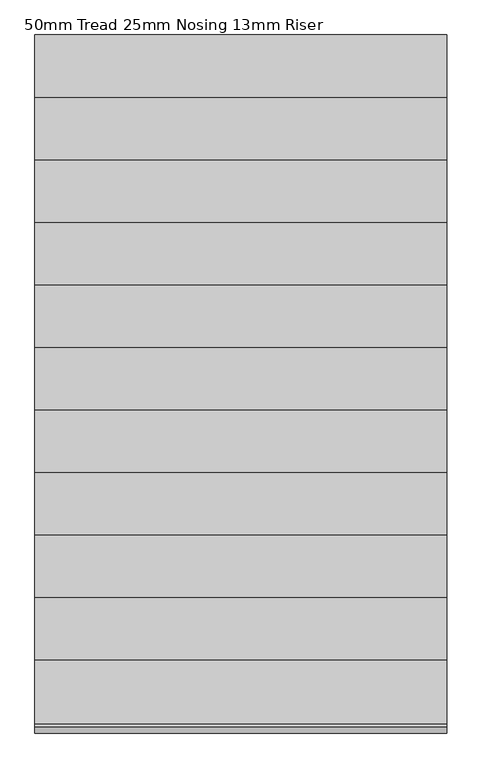
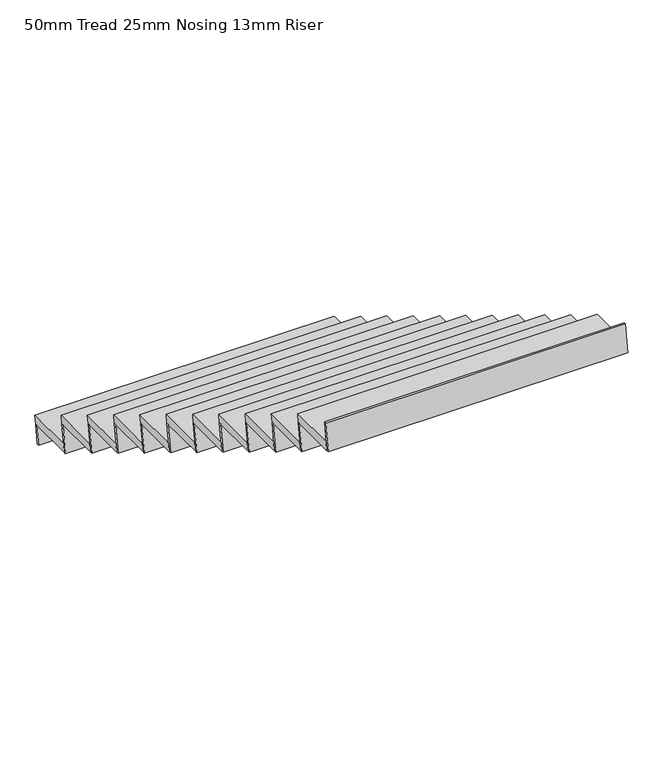
"""IFC4 building model written with IfcOpenShell, lengths in millimetres: stair flight geometry, 50mm Tread 25mm Nosing 13mm Riser."""

import ifcopenshell
import ifcopenshell.guid

model = None  # the IFC model being written
_history = None  # IfcOwnerHistory: only IFC2X3 demands one
_inside = {}  # id of a spatial element -> (the spatial element, [elements in it])
_under = {}  # id of a project, library or spatial element -> (it, [spatial elements below it])
_declared = {}  # id of a project -> (the project, [libraries it declares])
_typed = {}  # id of a type object -> (the type object, [elements of that type])
_made_of = {}  # id of a material, layer set ... -> (it, [elements and type objects made of it])


def new_model(schema):
    """Start an empty IFC model of exactly this schema.

    Asked for "IFC4X3", IfcOpenShell would pick the latest addendum, in which some entities
    have other attributes; the version numbers below select the first issue.
    IFC2X3 requires an IfcOwnerHistory on every rooted entity: one is made here for all.
    """
    global model, _history
    if schema == "IFC4X3":
        model = ifcopenshell.file(schema_version=(4, 3, 0, 0))
    else:
        model = ifcopenshell.file(schema=schema)
    _inside.clear()
    _under.clear()
    _declared.clear()
    _typed.clear()
    _made_of.clear()
    _history = None
    if model.schema == "IFC2X3":
        org = make("IfcOrganization", Name="unknown")
        user = make(
            "IfcPersonAndOrganization",
            ThePerson=make("IfcPerson", FamilyName="unknown"),
            TheOrganization=org,
        )
        app = make(
            "IfcApplication",
            ApplicationDeveloper=org,
            Version="unknown",
            ApplicationFullName="unknown",
            ApplicationIdentifier="unknown",
        )
        _history = make(
            "IfcOwnerHistory",
            OwningUser=user,
            OwningApplication=app,
            ChangeAction="ADDED",
            CreationDate=0,
        )
    return model


def make(cls, **values):
    """One entity of the class cls with the attributes given. An attribute that is None is left unset."""
    return model.create_entity(
        cls, **{name: value for name, value in values.items() if value is not None}
    )


def rooted(cls, **values):
    """An entity with a GlobalId (a new one), such as an element, a storey or a relation."""
    return make(cls, GlobalId=ifcopenshell.guid.new(), OwnerHistory=_history, **values)


def si_unit(unit_type, name, prefix=None):
    """IfcSIUnit, for example si_unit("LENGTHUNIT", "METRE", prefix="MILLI")."""
    return make("IfcSIUnit", UnitType=unit_type, Prefix=prefix, Name=name)


def assignment(units):
    """IfcUnitAssignment: the units of a project."""
    return None if units is None else make("IfcUnitAssignment", Units=units)


def point(xyz):
    """IfcCartesianPoint."""
    return None if xyz is None else make("IfcCartesianPoint", Coordinates=xyz)


def direction(xyz):
    """IfcDirection."""
    return None if xyz is None else make("IfcDirection", DirectionRatios=xyz)


def frame(location, z_axis=None, x_axis=None):
    """IfcAxis2Placement3D, a coordinate frame: its origin and axes. An axis left out is left unset."""
    return make(
        "IfcAxis2Placement3D",
        Location=point(location),
        Axis=direction(z_axis),
        RefDirection=direction(x_axis),
    )


def origin():
    """The frame at (0, 0, 0) with its axes left unset."""
    return frame((0.0, 0.0, 0.0))


def place(relative_to, where):
    """IfcLocalPlacement: puts the frame where relative to a parent placement (None: the world)."""
    return make(
        "IfcLocalPlacement", PlacementRelTo=relative_to, RelativePlacement=where
    )


def context(
    kind, dimensions, precision=None, world=None, true_north=None, identifier=None
):
    """IfcGeometricRepresentationContext, for example the 3D "Model" context."""
    return make(
        "IfcGeometricRepresentationContext",
        ContextIdentifier=identifier,
        ContextType=kind,
        CoordinateSpaceDimension=dimensions,
        Precision=precision,
        WorldCoordinateSystem=world,
        TrueNorth=true_north,
    )


def project(units=None, contexts=None):
    """IfcProject with its units and contexts."""
    return rooted(
        "IfcProject",
        Name="project",
        RepresentationContexts=contexts,
        UnitsInContext=assignment(units),
    )


def spatial(cls, under=None, at=None, **own):
    """A site, building, storey or space (cls), placed at a placement, below another one or the project."""
    s = rooted(cls, ObjectPlacement=at, **own)
    if under is not None:
        _under.setdefault(under.id(), (under, []))[1].append(s)
    return s


def polyline(points):
    """IfcPolyline through the points."""
    return make("IfcPolyline", Points=[point(p) for p in points])


def outline(outer, holes=None, kind="AREA"):
    """IfcArbitraryClosedProfileDef: a profile drawn as a closed curve; with holes, ...WithVoids."""
    if holes is None:
        return make("IfcArbitraryClosedProfileDef", ProfileType=kind, OuterCurve=outer)
    return make(
        "IfcArbitraryProfileDefWithVoids",
        ProfileType=kind,
        OuterCurve=outer,
        InnerCurves=holes,
    )


def extrude(swept, where, along, depth):
    """IfcExtrudedAreaSolid: the profile swept, set in the frame where, extruded along a direction by depth."""
    return make(
        "IfcExtrudedAreaSolid",
        SweptArea=swept,
        Position=where,
        ExtrudedDirection=direction(along),
        Depth=depth,
    )


def shape(context_of_items, identifier, shape_type, items):
    """IfcShapeRepresentation: the items that make up one representation, for example the "Body"."""
    return make(
        "IfcShapeRepresentation",
        ContextOfItems=context_of_items,
        RepresentationIdentifier=identifier,
        RepresentationType=shape_type,
        Items=items,
    )


def source(mapping_origin, context_of_items, identifier, shape_type, items):
    """IfcRepresentationMap: a shape defined once, which mapped items show again and again."""
    return make(
        "IfcRepresentationMap",
        MappingOrigin=mapping_origin,
        MappedRepresentation=shape(context_of_items, identifier, shape_type, items),
    )


def transform(
    local_origin,
    x_axis=None,
    y_axis=None,
    z_axis=None,
    scale=None,
    scale2=None,
    scale3=None,
    uniform=True,
):
    """IfcCartesianTransformationOperator3D, or its non-uniform kind. x_axis, y_axis, z_axis: its Axis1, 2, 3."""
    if uniform:
        return make(
            "IfcCartesianTransformationOperator3D",
            Axis1=direction(x_axis),
            Axis2=direction(y_axis),
            LocalOrigin=point(local_origin),
            Scale=scale,
            Axis3=direction(z_axis),
        )
    return make(
        "IfcCartesianTransformationOperator3DnonUniform",
        Axis1=direction(x_axis),
        Axis2=direction(y_axis),
        LocalOrigin=point(local_origin),
        Scale=scale,
        Axis3=direction(z_axis),
        Scale2=scale2,
        Scale3=scale3,
    )


def mapped(mapping_source, mapping_target):
    """IfcMappedItem: shows the shape of a source again, moved by a transform."""
    return make(
        "IfcMappedItem", MappingSource=mapping_source, MappingTarget=mapping_target
    )


def made_of(thing, what):
    """Note that an element or type object is made of a material, layer set ...; save() writes the relation."""
    if what is not None:
        _made_of.setdefault(what.id(), (what, []))[1].append(thing)
    return thing


def element(
    cls,
    number,
    at=None,
    inside=None,
    cuts=None,
    type_object=None,
    material=None,
    context=None,
    identifier="Body",
    shape_type=None,
    held_by="IfcProductDefinitionShape",
    body=None,
    shapes=None,
    **own,
):
    """One element of the class cls, such as IfcWall. Its Tag is "e" and its number.

    at: its placement. inside: the storey or other place that contains it. cuts: it is an
    opening in that element (IfcRelVoidsElement). A single representation is given by context,
    identifier, shape_type and body (its items); several are given by shapes. held_by: the class
    of the entity that holds the representations. save() writes the other relations.
    """
    e = rooted(cls, Tag="e%d" % number, ObjectPlacement=at, **own)
    if body is not None:
        shapes = [shape(context, identifier, shape_type, body)]
    if shapes is not None:
        e.Representation = make(held_by, Representations=shapes)
    if inside is not None:
        _inside.setdefault(inside.id(), (inside, []))[1].append(e)
    if cuts is not None:
        rooted(
            "IfcRelVoidsElement", RelatingBuildingElement=cuts, RelatedOpeningElement=e
        )
    if type_object is not None:
        _typed.setdefault(type_object.id(), (type_object, []))[1].append(e)
    return made_of(e, material)


def aggregate(whole, parts):
    """IfcRelAggregates: a whole, such as a stair, and the parts it consists of."""
    return rooted("IfcRelAggregates", RelatingObject=whole, RelatedObjects=parts)


def save(model, path):
    """Write the relations noted so far, then the file.

    IfcRelAggregates (storeys below a building ...), IfcRelContainedInSpatialStructure (elements
    in a storey), IfcRelDefinesByType, IfcRelAssociatesMaterial and IfcRelDeclares: one each for
    every whole, place, type object, material and project.
    """
    for whole, parts in _under.values():
        aggregate(whole, parts)
    for where, things in _inside.values():
        rooted(
            "IfcRelContainedInSpatialStructure",
            RelatedElements=things,
            RelatingStructure=where,
        )
    for kind, things in _typed.values():
        rooted("IfcRelDefinesByType", RelatedObjects=things, RelatingType=kind)
    for what, things in _made_of.values():
        rooted("IfcRelAssociatesMaterial", RelatedObjects=things, RelatingMaterial=what)
    for by, libraries in _declared.values():
        rooted("IfcRelDeclares", RelatingContext=by, RelatedDefinitions=libraries)
    model.write(path)


def stair_flight_50mm_tread_25mm_nosing_13mm_riser_7eb45b94(model_context):
    return source(origin(), model_context, "Body", "SweptSolid", [
        extrude(outline(polyline([(2595.8925708, 8689.7252355), (2895.8925708, 8689.7252355), (2888.4532007, 8639.7252355), (2588.4532007, 8639.7252355), (2595.8925708, 8689.7252355)])), frame((-34950.1572059, 0.0, 0.0), z_axis=(1.0, 0.0, 0.0), x_axis=(0.0, 1.0, 0.0)), (0.0, 0.0, 1.0), 1810.6629929),
        extrude(outline(polyline([(2888.4532007, 8639.7252355), (2870.8925708, 8521.7002569), (2858.2549677, 8521.7002569), (2875.8155976, 8639.7252355), (2888.4532007, 8639.7252355)])), frame((-34950.1572059, 0.0, 0.0), z_axis=(1.0, 0.0, 0.0), x_axis=(0.0, 1.0, 0.0)), (0.0, 0.0, 1.0), 1810.6629929),
        extrude(outline(polyline([(2613.4532007, 8807.7502141), (2588.4532007, 8639.7252355), (2575.8155976, 8639.7252355), (2600.8155976, 8807.7502141), (2613.4532007, 8807.7502141)])), frame((-34950.1572059, 0.0, 0.0), z_axis=(1.0, 0.0, 0.0), x_axis=(0.0, 1.0, 0.0)), (0.0, 0.0, 1.0), 1810.6629929),
        extrude(outline(polyline([(2320.8925708, 8857.7502141), (2620.8925708, 8857.7502141), (2613.4532007, 8807.7502141), (2313.4532007, 8807.7502141), (2320.8925708, 8857.7502141)])), frame((-34950.1572059, 0.0, 0.0), z_axis=(1.0, 0.0, 0.0), x_axis=(0.0, 1.0, 0.0)), (0.0, 0.0, 1.0), 1810.6629929),
        extrude(outline(polyline([(2338.4532007, 8975.7751927), (2313.4532007, 8807.7502141), (2300.8155976, 8807.7502141), (2325.8155976, 8975.7751927), (2338.4532007, 8975.7751927)])), frame((-34950.1572059, 0.0, 0.0), z_axis=(1.0, 0.0, 0.0), x_axis=(0.0, 1.0, 0.0)), (0.0, 0.0, 1.0), 1810.6629929),
        extrude(outline(polyline([(2045.8925708, 9025.7751927), (2345.8925708, 9025.7751927), (2338.4532007, 8975.7751927), (2038.4532007, 8975.7751927), (2045.8925708, 9025.7751927)])), frame((-34950.1572059, 0.0, 0.0), z_axis=(1.0, 0.0, 0.0), x_axis=(0.0, 1.0, 0.0)), (0.0, 0.0, 1.0), 1810.6629929),
        extrude(outline(polyline([(2063.4532007, 9143.8001713), (2038.4532007, 8975.7751927), (2025.8155976, 8975.7751927), (2050.8155976, 9143.8001713), (2063.4532007, 9143.8001713)])), frame((-34950.1572059, 0.0, 0.0), z_axis=(1.0, 0.0, 0.0), x_axis=(0.0, 1.0, 0.0)), (0.0, 0.0, 1.0), 1810.6629929),
        extrude(outline(polyline([(1770.8925708, 9193.8001713), (2070.8925708, 9193.8001713), (2063.4532007, 9143.8001713), (1763.4532007, 9143.8001713), (1770.8925708, 9193.8001713)])), frame((-34950.1572059, 0.0, 0.0), z_axis=(1.0, 0.0, 0.0), x_axis=(0.0, 1.0, 0.0)), (0.0, 0.0, 1.0), 1810.6629929),
        extrude(outline(polyline([(1788.4532007, 9311.8251499), (1763.4532007, 9143.8001713), (1750.8155976, 9143.8001713), (1775.8155976, 9311.8251499), (1788.4532007, 9311.8251499)])), frame((-34950.1572059, 0.0, 0.0), z_axis=(1.0, 0.0, 0.0), x_axis=(0.0, 1.0, 0.0)), (0.0, 0.0, 1.0), 1810.6629929),
        extrude(outline(polyline([(1495.8925708, 9361.8251499), (1795.8925708, 9361.8251499), (1788.4532007, 9311.8251499), (1488.4532007, 9311.8251499), (1495.8925708, 9361.8251499)])), frame((-34950.1572059, 0.0, 0.0), z_axis=(1.0, 0.0, 0.0), x_axis=(0.0, 1.0, 0.0)), (0.0, 0.0, 1.0), 1810.6629929),
        extrude(outline(polyline([(1513.4532007, 9479.8501285), (1488.4532007, 9311.8251499), (1475.8155976, 9311.8251499), (1500.8155976, 9479.8501285), (1513.4532007, 9479.8501285)])), frame((-34950.1572059, 0.0, 0.0), z_axis=(1.0, 0.0, 0.0), x_axis=(0.0, 1.0, 0.0)), (0.0, 0.0, 1.0), 1810.6629929),
        extrude(outline(polyline([(1220.8925708, 9529.8501285), (1520.8925708, 9529.8501285), (1513.4532007, 9479.8501285), (1213.4532007, 9479.8501285), (1220.8925708, 9529.8501285)])), frame((-34950.1572059, 0.0, 0.0), z_axis=(1.0, 0.0, 0.0), x_axis=(0.0, 1.0, 0.0)), (0.0, 0.0, 1.0), 1810.6629929),
        extrude(outline(polyline([(1238.4532007, 9647.8751071), (1213.4532007, 9479.8501285), (1200.8155976, 9479.8501285), (1225.8155976, 9647.8751071), (1238.4532007, 9647.8751071)])), frame((-34950.1572059, 0.0, 0.0), z_axis=(1.0, 0.0, 0.0), x_axis=(0.0, 1.0, 0.0)), (0.0, 0.0, 1.0), 1810.6629929),
        extrude(outline(polyline([(945.8925708, 9697.8751071), (1245.8925708, 9697.8751071), (1238.4532007, 9647.8751071), (938.4532007, 9647.8751071), (945.8925708, 9697.8751071)])), frame((-34950.1572059, 0.0, 0.0), z_axis=(1.0, 0.0, 0.0), x_axis=(0.0, 1.0, 0.0)), (0.0, 0.0, 1.0), 1810.6629929),
        extrude(outline(polyline([(963.4532007, 9815.9000856), (938.4532007, 9647.8751071), (925.8155976, 9647.8751071), (950.8155976, 9815.9000856), (963.4532007, 9815.9000856)])), frame((-34950.1572059, 0.0, 0.0), z_axis=(1.0, 0.0, 0.0), x_axis=(0.0, 1.0, 0.0)), (0.0, 0.0, 1.0), 1810.6629929),
        extrude(outline(polyline([(670.8925708, 9865.9000856), (970.8925708, 9865.9000856), (963.4532007, 9815.9000856), (663.4532007, 9815.9000856), (670.8925708, 9865.9000856)])), frame((-34950.1572059, 0.0, 0.0), z_axis=(1.0, 0.0, 0.0), x_axis=(0.0, 1.0, 0.0)), (0.0, 0.0, 1.0), 1810.6629929),
        extrude(outline(polyline([(688.4532007, 9983.9250642), (663.4532007, 9815.9000856), (650.8155976, 9815.9000856), (675.8155976, 9983.9250642), (688.4532007, 9983.9250642)])), frame((-34950.1572059, 0.0, 0.0), z_axis=(1.0, 0.0, 0.0), x_axis=(0.0, 1.0, 0.0)), (0.0, 0.0, 1.0), 1810.6629929),
        extrude(outline(polyline([(395.8925708, 10033.9250642), (695.8925708, 10033.9250642), (688.4532007, 9983.9250642), (388.4532007, 9983.9250642), (395.8925708, 10033.9250642)])), frame((-34950.1572059, 0.0, 0.0), z_axis=(1.0, 0.0, 0.0), x_axis=(0.0, 1.0, 0.0)), (0.0, 0.0, 1.0), 1810.6629929),
        extrude(outline(polyline([(413.4532007, 10151.9500428), (388.4532007, 9983.9250642), (375.8155976, 9983.9250642), (400.8155976, 10151.9500428), (413.4532007, 10151.9500428)])), frame((-34950.1572059, 0.0, 0.0), z_axis=(1.0, 0.0, 0.0), x_axis=(0.0, 1.0, 0.0)), (0.0, 0.0, 1.0), 1810.6629929),
        extrude(outline(polyline([(120.8925708, 10201.9500428), (420.8925708, 10201.9500428), (413.4532007, 10151.9500428), (113.4532007, 10151.9500428), (120.8925708, 10201.9500428)])), frame((-34950.1572059, 0.0, 0.0), z_axis=(1.0, 0.0, 0.0), x_axis=(0.0, 1.0, 0.0)), (0.0, 0.0, 1.0), 1810.6629929),
        extrude(outline(polyline([(138.4532007, 10319.9750214), (113.4532007, 10151.9500428), (100.8155976, 10151.9500428), (125.8155976, 10319.9750214), (138.4532007, 10319.9750214)])), frame((-34950.1572059, 0.0, 0.0), z_axis=(1.0, 0.0, 0.0), x_axis=(0.0, 1.0, 0.0)), (0.0, 0.0, 1.0), 1810.6629929),
        extrude(outline(polyline([(-154.1074292, 10369.9750214), (145.8925708, 10369.9750214), (138.4532007, 10319.9750214), (-161.5467993, 10319.9750214), (-154.1074292, 10369.9750214)])), frame((-34950.1572059, 0.0, 0.0), z_axis=(1.0, 0.0, 0.0), x_axis=(0.0, 1.0, 0.0)), (0.0, 0.0, 1.0), 1810.6629929),
        extrude(outline(polyline([(-136.5467993, 10488.0), (-161.5467993, 10319.9750214), (-174.1844024, 10319.9750214), (-149.1844024, 10488.0), (-136.5467993, 10488.0)])), frame((-34950.1572059, 0.0, 0.0), z_axis=(1.0, 0.0, 0.0), x_axis=(0.0, 1.0, 0.0)), (0.0, 0.0, 1.0), 1810.6629929),
    ])


if __name__ == "__main__":
    model = new_model("IFC4")
    model_context = context("Model", 3, world=origin())
    ifc_project = project(units=[si_unit("LENGTHUNIT", "METRE", prefix="MILLI")], contexts=[model_context])
    site = spatial("IfcSite", under=ifc_project)
    building = spatial("IfcBuilding", under=site)
    placement = place(None, origin())
    stair_flight_50mm_tread_25mm_nosing_13mm_riser_shape = stair_flight_50mm_tread_25mm_nosing_13mm_riser_7eb45b94(model_context)
    element("IfcStairFlight", 1, ObjectType="50mm Tread 25mm Nosing 13mm Riser", at=placement, inside=building, context=model_context, shape_type="MappedRepresentation", body=[
        mapped(stair_flight_50mm_tread_25mm_nosing_13mm_riser_shape, transform((0.0, 0.0, 0.0), x_axis=(1.0, 0.0, 0.0), y_axis=(0.0, 1.0, 0.0), z_axis=(0.0, 0.0, 1.0))),
    ])
    save(model, "model.ifc")
